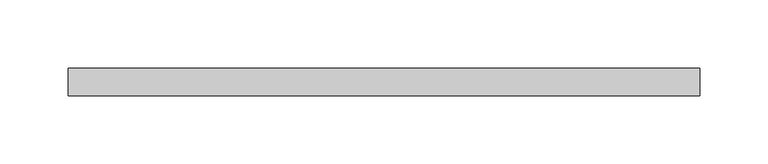
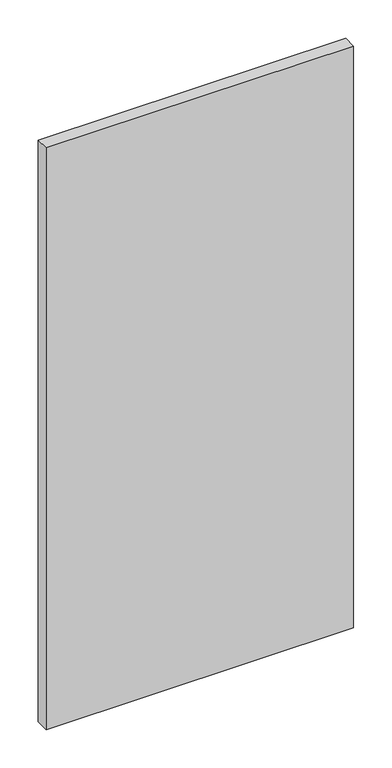
"""IFC4 building model written with IfcOpenShell, lengths in millimetres: plate geometry."""

from ifc_helpers import new_model, si_unit, origin, origin_with_axes, place, context, project, spatial, polyline, outline, extrude, source, transform, mapped, element, save


def plate_66f3f29d(model_context):
    return source(origin(), model_context, "Body", "SweptSolid", [
        extrude(outline(polyline([(231.4375982, 20.0), (-231.4375982, 20.0), (-231.4375982, 40.0), (231.4375982, 40.0), (231.4375982, 20.0)])), origin_with_axes(), (0.0, 0.0, 1.0), 925.0),
    ])


if __name__ == "__main__":
    model = new_model("IFC4")
    model_context = context("Model", 3, world=origin())
    ifc_project = project(units=[si_unit("LENGTHUNIT", "METRE", prefix="MILLI")], contexts=[model_context])
    site = spatial("IfcSite", under=ifc_project)
    building = spatial("IfcBuilding", under=site)
    placement = place(None, origin())
    plate_shape = plate_66f3f29d(model_context)
    element("IfcPlate", 1, at=placement, inside=building, context=model_context, shape_type="MappedRepresentation", body=[
        mapped(plate_shape, transform((0.0, 0.0, 0.0), x_axis=(1.0, 0.0, 0.0), y_axis=(0.0, 1.0, 0.0), z_axis=(0.0, 0.0, 1.0))),
    ])
    save(model, "model.ifc")
